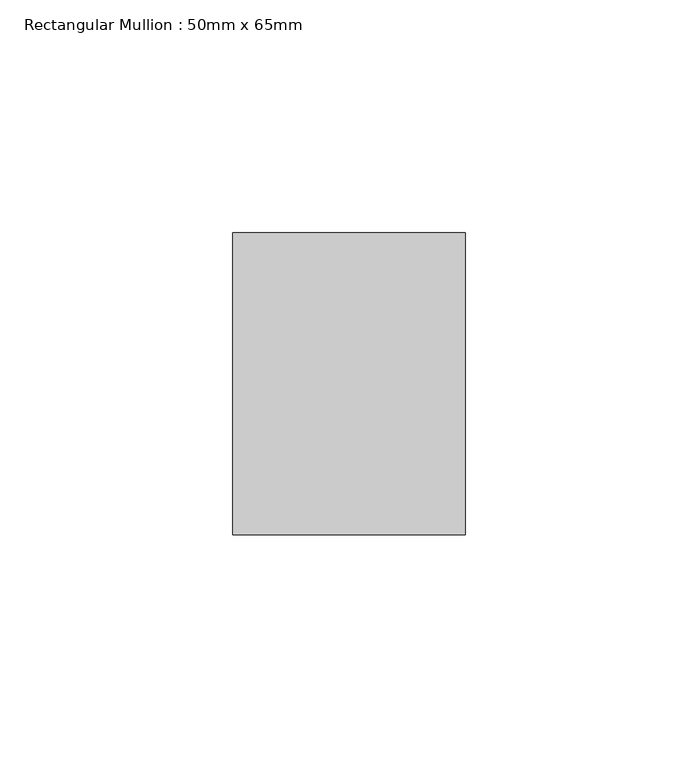
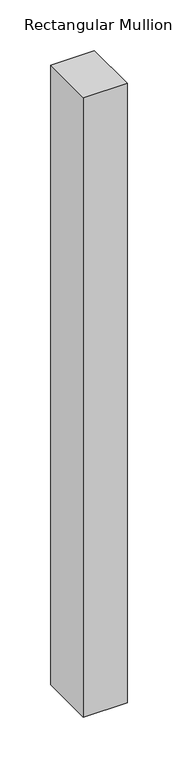
"""IFC4 building model written with IfcOpenShell, lengths in millimetres: member geometry, Rectangular Mullion : 50mm x 65mm."""

import ifcopenshell
import ifcopenshell.guid

model = None  # the IFC model being written
_history = None  # IfcOwnerHistory: only IFC2X3 demands one
_inside = {}  # id of a spatial element -> (the spatial element, [elements in it])
_under = {}  # id of a project, library or spatial element -> (it, [spatial elements below it])
_declared = {}  # id of a project -> (the project, [libraries it declares])
_typed = {}  # id of a type object -> (the type object, [elements of that type])
_made_of = {}  # id of a material, layer set ... -> (it, [elements and type objects made of it])


def new_model(schema):
    """Start an empty IFC model of exactly this schema.

    Asked for "IFC4X3", IfcOpenShell would pick the latest addendum, in which some entities
    have other attributes; the version numbers below select the first issue.
    IFC2X3 requires an IfcOwnerHistory on every rooted entity: one is made here for all.
    """
    global model, _history
    if schema == "IFC4X3":
        model = ifcopenshell.file(schema_version=(4, 3, 0, 0))
    else:
        model = ifcopenshell.file(schema=schema)
    _inside.clear()
    _under.clear()
    _declared.clear()
    _typed.clear()
    _made_of.clear()
    _history = None
    if model.schema == "IFC2X3":
        org = make("IfcOrganization", Name="unknown")
        user = make(
            "IfcPersonAndOrganization",
            ThePerson=make("IfcPerson", FamilyName="unknown"),
            TheOrganization=org,
        )
        app = make(
            "IfcApplication",
            ApplicationDeveloper=org,
            Version="unknown",
            ApplicationFullName="unknown",
            ApplicationIdentifier="unknown",
        )
        _history = make(
            "IfcOwnerHistory",
            OwningUser=user,
            OwningApplication=app,
            ChangeAction="ADDED",
            CreationDate=0,
        )
    return model


def make(cls, **values):
    """One entity of the class cls with the attributes given. An attribute that is None is left unset."""
    return model.create_entity(
        cls, **{name: value for name, value in values.items() if value is not None}
    )


def rooted(cls, **values):
    """An entity with a GlobalId (a new one), such as an element, a storey or a relation."""
    return make(cls, GlobalId=ifcopenshell.guid.new(), OwnerHistory=_history, **values)


def si_unit(unit_type, name, prefix=None):
    """IfcSIUnit, for example si_unit("LENGTHUNIT", "METRE", prefix="MILLI")."""
    return make("IfcSIUnit", UnitType=unit_type, Prefix=prefix, Name=name)


def assignment(units):
    """IfcUnitAssignment: the units of a project."""
    return None if units is None else make("IfcUnitAssignment", Units=units)


def point(xyz):
    """IfcCartesianPoint."""
    return None if xyz is None else make("IfcCartesianPoint", Coordinates=xyz)


def direction(xyz):
    """IfcDirection."""
    return None if xyz is None else make("IfcDirection", DirectionRatios=xyz)


def frame(location, z_axis=None, x_axis=None):
    """IfcAxis2Placement3D, a coordinate frame: its origin and axes. An axis left out is left unset."""
    return make(
        "IfcAxis2Placement3D",
        Location=point(location),
        Axis=direction(z_axis),
        RefDirection=direction(x_axis),
    )


def origin():
    """The frame at (0, 0, 0) with its axes left unset."""
    return frame((0.0, 0.0, 0.0))


def place(relative_to, where):
    """IfcLocalPlacement: puts the frame where relative to a parent placement (None: the world)."""
    return make(
        "IfcLocalPlacement", PlacementRelTo=relative_to, RelativePlacement=where
    )


def context(
    kind, dimensions, precision=None, world=None, true_north=None, identifier=None
):
    """IfcGeometricRepresentationContext, for example the 3D "Model" context."""
    return make(
        "IfcGeometricRepresentationContext",
        ContextIdentifier=identifier,
        ContextType=kind,
        CoordinateSpaceDimension=dimensions,
        Precision=precision,
        WorldCoordinateSystem=world,
        TrueNorth=true_north,
    )


def project(units=None, contexts=None):
    """IfcProject with its units and contexts."""
    return rooted(
        "IfcProject",
        Name="project",
        RepresentationContexts=contexts,
        UnitsInContext=assignment(units),
    )


def spatial(cls, under=None, at=None, **own):
    """A site, building, storey or space (cls), placed at a placement, below another one or the project."""
    s = rooted(cls, ObjectPlacement=at, **own)
    if under is not None:
        _under.setdefault(under.id(), (under, []))[1].append(s)
    return s


def polyline(points):
    """IfcPolyline through the points."""
    return make("IfcPolyline", Points=[point(p) for p in points])


def outline(outer, holes=None, kind="AREA"):
    """IfcArbitraryClosedProfileDef: a profile drawn as a closed curve; with holes, ...WithVoids."""
    if holes is None:
        return make("IfcArbitraryClosedProfileDef", ProfileType=kind, OuterCurve=outer)
    return make(
        "IfcArbitraryProfileDefWithVoids",
        ProfileType=kind,
        OuterCurve=outer,
        InnerCurves=holes,
    )


def extrude(swept, where, along, depth):
    """IfcExtrudedAreaSolid: the profile swept, set in the frame where, extruded along a direction by depth."""
    return make(
        "IfcExtrudedAreaSolid",
        SweptArea=swept,
        Position=where,
        ExtrudedDirection=direction(along),
        Depth=depth,
    )


def shape(context_of_items, identifier, shape_type, items):
    """IfcShapeRepresentation: the items that make up one representation, for example the "Body"."""
    return make(
        "IfcShapeRepresentation",
        ContextOfItems=context_of_items,
        RepresentationIdentifier=identifier,
        RepresentationType=shape_type,
        Items=items,
    )


def source(mapping_origin, context_of_items, identifier, shape_type, items):
    """IfcRepresentationMap: a shape defined once, which mapped items show again and again."""
    return make(
        "IfcRepresentationMap",
        MappingOrigin=mapping_origin,
        MappedRepresentation=shape(context_of_items, identifier, shape_type, items),
    )


def transform(
    local_origin,
    x_axis=None,
    y_axis=None,
    z_axis=None,
    scale=None,
    scale2=None,
    scale3=None,
    uniform=True,
):
    """IfcCartesianTransformationOperator3D, or its non-uniform kind. x_axis, y_axis, z_axis: its Axis1, 2, 3."""
    if uniform:
        return make(
            "IfcCartesianTransformationOperator3D",
            Axis1=direction(x_axis),
            Axis2=direction(y_axis),
            LocalOrigin=point(local_origin),
            Scale=scale,
            Axis3=direction(z_axis),
        )
    return make(
        "IfcCartesianTransformationOperator3DnonUniform",
        Axis1=direction(x_axis),
        Axis2=direction(y_axis),
        LocalOrigin=point(local_origin),
        Scale=scale,
        Axis3=direction(z_axis),
        Scale2=scale2,
        Scale3=scale3,
    )


def mapped(mapping_source, mapping_target):
    """IfcMappedItem: shows the shape of a source again, moved by a transform."""
    return make(
        "IfcMappedItem", MappingSource=mapping_source, MappingTarget=mapping_target
    )


def made_of(thing, what):
    """Note that an element or type object is made of a material, layer set ...; save() writes the relation."""
    if what is not None:
        _made_of.setdefault(what.id(), (what, []))[1].append(thing)
    return thing


def element(
    cls,
    number,
    at=None,
    inside=None,
    cuts=None,
    type_object=None,
    material=None,
    context=None,
    identifier="Body",
    shape_type=None,
    held_by="IfcProductDefinitionShape",
    body=None,
    shapes=None,
    **own,
):
    """One element of the class cls, such as IfcWall. Its Tag is "e" and its number.

    at: its placement. inside: the storey or other place that contains it. cuts: it is an
    opening in that element (IfcRelVoidsElement). A single representation is given by context,
    identifier, shape_type and body (its items); several are given by shapes. held_by: the class
    of the entity that holds the representations. save() writes the other relations.
    """
    e = rooted(cls, Tag="e%d" % number, ObjectPlacement=at, **own)
    if body is not None:
        shapes = [shape(context, identifier, shape_type, body)]
    if shapes is not None:
        e.Representation = make(held_by, Representations=shapes)
    if inside is not None:
        _inside.setdefault(inside.id(), (inside, []))[1].append(e)
    if cuts is not None:
        rooted(
            "IfcRelVoidsElement", RelatingBuildingElement=cuts, RelatedOpeningElement=e
        )
    if type_object is not None:
        _typed.setdefault(type_object.id(), (type_object, []))[1].append(e)
    return made_of(e, material)


def aggregate(whole, parts):
    """IfcRelAggregates: a whole, such as a stair, and the parts it consists of."""
    return rooted("IfcRelAggregates", RelatingObject=whole, RelatedObjects=parts)


def save(model, path):
    """Write the relations noted so far, then the file.

    IfcRelAggregates (storeys below a building ...), IfcRelContainedInSpatialStructure (elements
    in a storey), IfcRelDefinesByType, IfcRelAssociatesMaterial and IfcRelDeclares: one each for
    every whole, place, type object, material and project.
    """
    for whole, parts in _under.values():
        aggregate(whole, parts)
    for where, things in _inside.values():
        rooted(
            "IfcRelContainedInSpatialStructure",
            RelatedElements=things,
            RelatingStructure=where,
        )
    for kind, things in _typed.values():
        rooted("IfcRelDefinesByType", RelatedObjects=things, RelatingType=kind)
    for what, things in _made_of.values():
        rooted("IfcRelAssociatesMaterial", RelatedObjects=things, RelatingMaterial=what)
    for by, libraries in _declared.values():
        rooted("IfcRelDeclares", RelatingContext=by, RelatedDefinitions=libraries)
    model.write(path)


def rectangular_mullion_50mm_x_65mm_49ea50b5(model_context):
    return source(origin(), model_context, "Body", "SweptSolid", [
        extrude(outline(polyline([(25.0, 32.5), (25.0, -32.5), (-25.0, -32.5), (-25.0, 32.5), (25.0, 32.5)])), frame((0.0, 0.0, -748.3579564), z_axis=(0.0, 0.0, 1.0), x_axis=(1.0, 0.0, 0.0)), (0.0, 0.0, 1.0), 748.3579564),
    ])


if __name__ == "__main__":
    model = new_model("IFC4")
    model_context = context("Model", 3, world=origin())
    ifc_project = project(units=[si_unit("LENGTHUNIT", "METRE", prefix="MILLI")], contexts=[model_context])
    site = spatial("IfcSite", under=ifc_project)
    building = spatial("IfcBuilding", under=site)
    placement = place(None, origin())
    rectangular_mullion_50mm_x_65mm_shape = rectangular_mullion_50mm_x_65mm_49ea50b5(model_context)
    element("IfcMember", 1, ObjectType="Rectangular Mullion : 50mm x 65mm", at=placement, inside=building, context=model_context, shape_type="MappedRepresentation", body=[
        mapped(rectangular_mullion_50mm_x_65mm_shape, transform((0.0, 0.0, 0.0), x_axis=(1.0, 0.0, 0.0), y_axis=(0.0, 1.0, 0.0), z_axis=(0.0, 0.0, 1.0))),
    ])
    save(model, "model.ifc")
